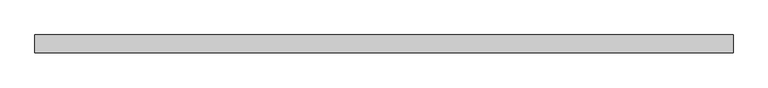
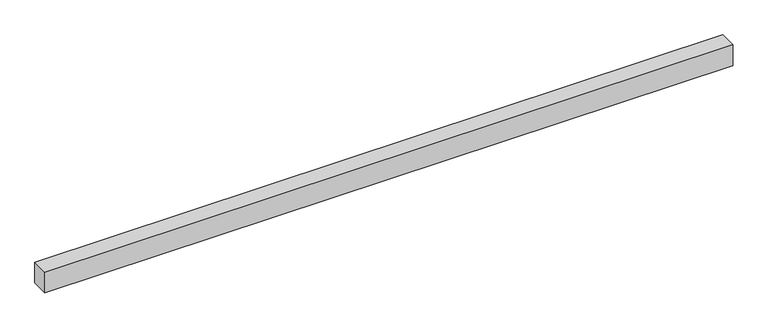
"""IFC4 building model written with IfcOpenShell, lengths in millimetres: proxy geometry."""

from ifc_helpers import new_model, si_unit, frame, origin, place, context, project, spatial, polyline, outline, extrude, source, transform, mapped, element, save


def generic_models_a03c1caa(model_context):
    return source(origin(), model_context, "Body", "SweptSolid", [
        extrude(outline(polyline([(40.0, 0.0), (-40.0, 0.0), (-40.0, 3154.8927154), (40.0, 3154.8927154), (40.0, 0.0)])), frame((3154.8927154, 0.0, 0.0), z_axis=(0.0, -1.9783474858313244e-12, 1.0), x_axis=(0.0, 1.0, 1.9783474858313244e-12)), (0.0, 0.0, 1.0), 100.0),
    ])


if __name__ == "__main__":
    model = new_model("IFC4")
    model_context = context("Model", 3, world=origin())
    ifc_project = project(units=[si_unit("LENGTHUNIT", "METRE", prefix="MILLI")], contexts=[model_context])
    site = spatial("IfcSite", under=ifc_project)
    building = spatial("IfcBuilding", under=site)
    placement = place(None, origin())
    generic_models_shape = generic_models_a03c1caa(model_context)
    element("IfcBuildingElementProxy", 1, Name="Generic Models", at=placement, inside=building, context=model_context, shape_type="MappedRepresentation", body=[
        mapped(generic_models_shape, transform((0.0, 0.0, 0.0), x_axis=(1.0, 0.0, 0.0), y_axis=(0.0, 1.0, 0.0), z_axis=(0.0, 0.0, 1.0))),
    ])
    save(model, "model.ifc")
